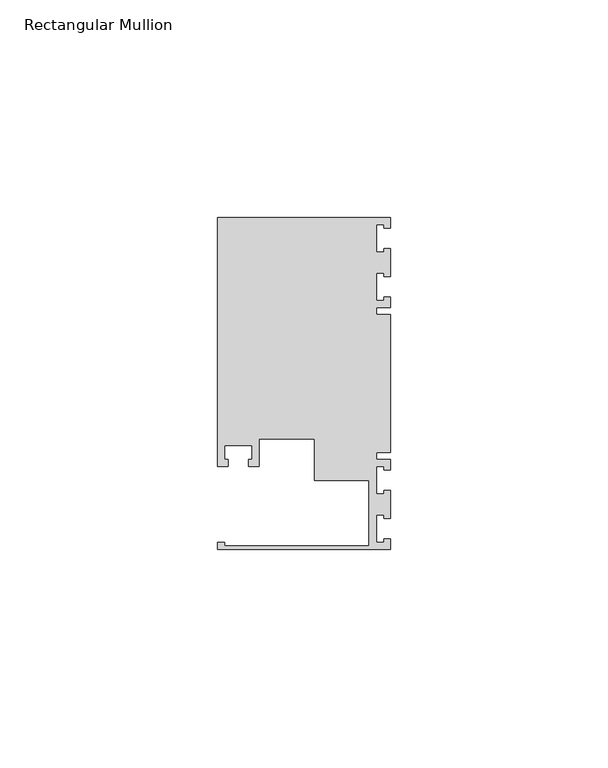
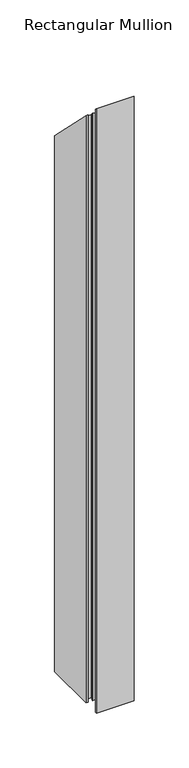
"""IFC4 building model written with IfcOpenShell, lengths in millimetres: member geometry, Rectangular Mullion."""

from ifc_helpers import new_model, si_unit, origin, place, context, project, spatial, faceted_brep, source, transform, mapped, element, save


def rectangular_mullion_4f401f7a(model_context):
    return source(origin(), model_context, "Body", "Brep", [
        faceted_brep([(0.0, -38.1, -635.0), (-39.6875, -38.1, -635.0), (-39.6875, -36.5125, -635.0), (-38.1, -36.5125, -635.0), (-38.1, -37.30625, -635.0), (-4.8585733, -37.30625, -635.0), (-4.8585733, -22.225, -635.0), (-17.4625, -22.225, -635.0), (-17.4625, -12.6999969, -635.0), (-30.1625, -12.6999969, -635.0), (-30.1625, -19.05, -635.0), (-32.54375, -19.05, -635.0), (-32.54375, -17.4625, -635.0), (-31.75, -17.4625, -635.0), (-31.75, -14.2875, -635.0), (-38.1, -14.2875, -635.0), (-38.1, -17.4625, -635.0), (-37.30625, -17.4625, -635.0), (-37.30625, -19.05, -635.0), (-39.6875, -19.05, -635.0), (-39.6875, 38.1, -635.0), (0.0, 38.1, -635.0), (0.0, 35.71875, -635.0), (-1.4999946, 35.71875, -635.0), (-1.4999946, 36.5125, -635.0), (-3.175, 36.5125, -635.0), (-3.175, 30.1625, -635.0), (-1.4999946, 30.1625, -635.0), (-1.4999946, 30.95625, -635.0), (0.0, 30.95625, -635.0), (0.0, 24.60625, -635.0), (-1.4999946, 24.60625, -635.0), (-1.4999946, 25.4, -635.0), (-3.175, 25.4, -635.0), (-3.175, 19.05, -635.0), (-1.4999946, 19.05, -635.0), (-1.4999946, 19.84375, -635.0), (0.0, 19.84375, -635.0), (0.0, 17.4625, -635.0), (-3.175, 17.4625, -635.0), (-3.175, 15.875, -635.0), (0.0, 15.875, -635.0), (0.0, -15.875, -635.0), (-3.175, -15.875, -635.0), (-3.175, -17.4625, -635.0), (0.0, -17.4625, -635.0), (0.0, -19.84375, -635.0), (-1.4999946, -19.84375, -635.0), (-1.4999946, -19.05, -635.0), (-3.175, -19.05, -635.0), (-3.175, -25.4, -635.0), (-1.4999946, -25.4, -635.0), (-1.4999946, -24.60625, -635.0), (0.0, -24.60625, -635.0), (0.0, -30.95625, -635.0), (-1.4999946, -30.95625, -635.0), (-1.4999946, -30.1625, -635.0), (-3.175, -30.1625, -635.0), (-3.175, -36.5125, -635.0), (-1.4999946, -36.5125, -635.0), (-1.4999946, -35.71875, -635.0), (0.0, -35.71875, -635.0), (0.0, -35.71875, 35.71875), (0.0, -38.1, 38.1), (-1.4999946, -35.71875, 35.71875), (-1.4999946, -36.5125, 36.5125), (-3.175, -36.5125, 36.5125), (-3.175, -30.1625, 30.1625), (-1.4999946, -30.1625, 30.1625), (-1.4999946, -30.95625, 30.95625), (0.0, -30.95625, 30.95625), (0.0, -24.60625, 24.60625), (-1.4999946, -24.60625, 24.60625), (-1.4999946, -25.4, 25.4), (-3.175, -25.4, 25.4), (-3.175, -19.05, 19.05), (-1.4999946, -19.05, 19.05), (-1.4999946, -19.84375, 19.84375), (0.0, -19.84375, 19.84375), (0.0, -17.4625, 17.4625), (-3.175, -17.4625, 17.4625), (-3.175, -15.875, 15.875), (0.0, -15.875, 15.875), (0.0, 15.875, -15.875), (-3.175, 15.875, -15.875), (-3.175, 17.4625, -17.4625), (0.0, 17.4625, -17.4625), (0.0, 19.84375, -19.84375), (-1.4999946, 19.84375, -19.84375), (-1.4999946, 19.05, -19.05), (-3.175, 19.05, -19.05), (-3.175, 25.4, -25.4), (-1.4999946, 25.4, -25.4), (-1.4999946, 24.60625, -24.60625), (0.0, 24.60625, -24.60625), (0.0, 30.95625, -30.95625), (-1.4999946, 30.95625, -30.95625), (-1.4999946, 30.1625, -30.1625), (-3.175, 30.1625, -30.1625), (-3.175, 36.5125, -36.5125), (-1.4999946, 36.5125, -36.5125), (-1.4999946, 35.71875, -35.71875), (0.0, 35.71875, -35.71875), (0.0, 38.1, -38.1), (-39.6875, 38.1, -38.1), (-39.6875, -19.05, 19.05), (-37.30625, -19.05, 19.05), (-37.30625, -17.4625, 17.4625), (-38.1, -17.4625, 17.4625), (-38.1, -14.2875, 14.2875), (-31.75, -14.2875, 14.2875), (-31.75, -17.4625, 17.4625), (-32.54375, -17.4625, 17.4625), (-32.54375, -19.05, 19.05), (-30.1625, -19.05, 19.05), (-30.1625, -12.6999969, 12.6999969), (-17.4625, -12.6999969, 12.6999969), (-17.4625, -22.225, 22.225), (-4.8585733, -22.225, 22.225), (-4.8585733, -37.30625, 37.30625), (-38.1, -37.30625, 37.30625), (-38.1, -36.5125, 36.5125), (-39.6875, -36.5125, 36.5125), (-39.6875, -38.1, 38.1)], [[[0, 1, 2, 3, 4, 5, 6, 7, 8, 9, 10, 11, 12, 13, 14, 15, 16, 17, 18, 19, 20, 21, 22, 23, 24, 25, 26, 27, 28, 29, 30, 31, 32, 33, 34, 35, 36, 37, 38, 39, 40, 41, 42, 43, 44, 45, 46, 47, 48, 49, 50, 51, 52, 53, 54, 55, 56, 57, 58, 59, 60, 61]], [[62, 63, 0, 61]], [[64, 62, 61, 60]], [[65, 64, 60, 59]], [[66, 65, 59, 58]], [[67, 66, 58, 57]], [[68, 67, 57, 56]], [[69, 68, 56, 55]], [[70, 69, 55, 54]], [[71, 70, 54, 53]], [[72, 71, 53, 52]], [[73, 72, 52, 51]], [[74, 73, 51, 50]], [[75, 74, 50, 49]], [[76, 75, 49, 48]], [[77, 76, 48, 47]], [[78, 77, 47, 46]], [[79, 78, 46, 45]], [[80, 79, 45, 44]], [[81, 80, 44, 43]], [[82, 81, 43, 42]], [[83, 82, 42, 41]], [[84, 83, 41, 40]], [[85, 84, 40, 39]], [[86, 85, 39, 38]], [[87, 86, 38, 37]], [[88, 87, 37, 36]], [[89, 88, 36, 35]], [[90, 89, 35, 34]], [[91, 90, 34, 33]], [[92, 91, 33, 32]], [[93, 92, 32, 31]], [[94, 93, 31, 30]], [[95, 94, 30, 29]], [[96, 95, 29, 28]], [[97, 96, 28, 27]], [[98, 97, 27, 26]], [[99, 98, 26, 25]], [[100, 99, 25, 24]], [[101, 100, 24, 23]], [[102, 101, 23, 22]], [[103, 102, 22, 21]], [[104, 103, 21, 20]], [[105, 104, 20, 19]], [[106, 105, 19, 18]], [[107, 106, 18, 17]], [[108, 107, 17, 16]], [[109, 108, 16, 15]], [[110, 109, 15, 14]], [[111, 110, 14, 13]], [[112, 111, 13, 12]], [[113, 112, 12, 11]], [[114, 113, 11, 10]], [[115, 114, 10, 9]], [[116, 115, 9, 8]], [[117, 116, 8, 7]], [[118, 117, 7, 6]], [[119, 118, 6, 5]], [[120, 119, 5, 4]], [[121, 120, 4, 3]], [[122, 121, 3, 2]], [[123, 122, 2, 1]], [[63, 123, 1, 0]], [[63, 62, 64, 65, 66, 67, 68, 69, 70, 71, 72, 73, 74, 75, 76, 77, 78, 79, 80, 81, 82, 83, 84, 85, 86, 87, 88, 89, 90, 91, 92, 93, 94, 95, 96, 97, 98, 99, 100, 101, 102, 103, 104, 105, 106, 107, 108, 109, 110, 111, 112, 113, 114, 115, 116, 117, 118, 119, 120, 121, 122, 123]]]),
    ])


if __name__ == "__main__":
    model = new_model("IFC4")
    model_context = context("Model", 3, world=origin())
    ifc_project = project(units=[si_unit("LENGTHUNIT", "METRE", prefix="MILLI")], contexts=[model_context])
    site = spatial("IfcSite", under=ifc_project)
    building = spatial("IfcBuilding", under=site)
    placement = place(None, origin())
    rectangular_mullion_shape = rectangular_mullion_4f401f7a(model_context)
    element("IfcMember", 1, ObjectType="Rectangular Mullion", at=placement, inside=building, context=model_context, shape_type="MappedRepresentation", body=[
        mapped(rectangular_mullion_shape, transform((0.0, 0.0, 0.0), x_axis=(1.0, 0.0, 0.0), y_axis=(0.0, 1.0, 0.0), z_axis=(0.0, 0.0, 1.0))),
    ])
    save(model, "model.ifc")
